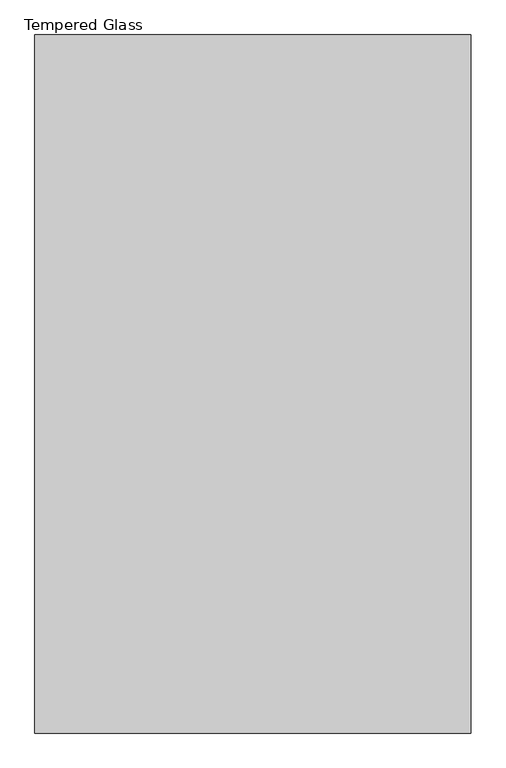
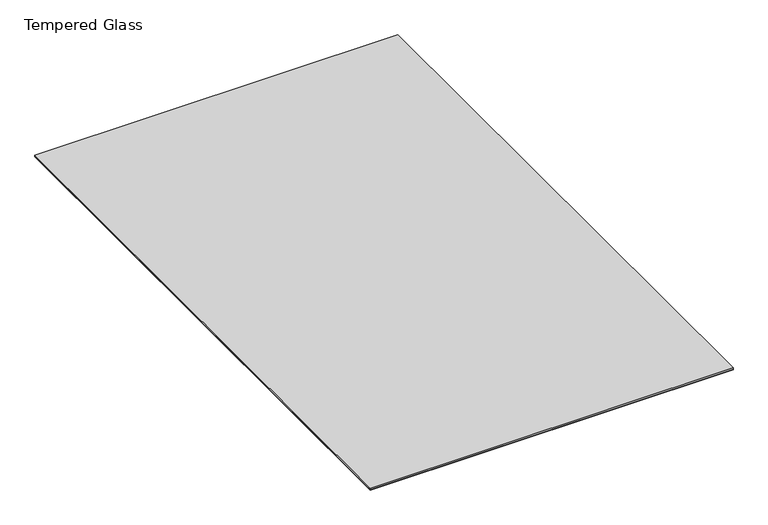
"""IFC4 building model written with IfcOpenShell, lengths in millimetres: proxy geometry, Tempered Glass."""

import ifcopenshell
import ifcopenshell.guid

model = None  # the IFC model being written
_history = None  # IfcOwnerHistory: only IFC2X3 demands one
_inside = {}  # id of a spatial element -> (the spatial element, [elements in it])
_under = {}  # id of a project, library or spatial element -> (it, [spatial elements below it])
_declared = {}  # id of a project -> (the project, [libraries it declares])
_typed = {}  # id of a type object -> (the type object, [elements of that type])
_made_of = {}  # id of a material, layer set ... -> (it, [elements and type objects made of it])


def new_model(schema):
    """Start an empty IFC model of exactly this schema.

    Asked for "IFC4X3", IfcOpenShell would pick the latest addendum, in which some entities
    have other attributes; the version numbers below select the first issue.
    IFC2X3 requires an IfcOwnerHistory on every rooted entity: one is made here for all.
    """
    global model, _history
    if schema == "IFC4X3":
        model = ifcopenshell.file(schema_version=(4, 3, 0, 0))
    else:
        model = ifcopenshell.file(schema=schema)
    _inside.clear()
    _under.clear()
    _declared.clear()
    _typed.clear()
    _made_of.clear()
    _history = None
    if model.schema == "IFC2X3":
        org = make("IfcOrganization", Name="unknown")
        user = make(
            "IfcPersonAndOrganization",
            ThePerson=make("IfcPerson", FamilyName="unknown"),
            TheOrganization=org,
        )
        app = make(
            "IfcApplication",
            ApplicationDeveloper=org,
            Version="unknown",
            ApplicationFullName="unknown",
            ApplicationIdentifier="unknown",
        )
        _history = make(
            "IfcOwnerHistory",
            OwningUser=user,
            OwningApplication=app,
            ChangeAction="ADDED",
            CreationDate=0,
        )
    return model


def make(cls, **values):
    """One entity of the class cls with the attributes given. An attribute that is None is left unset."""
    return model.create_entity(
        cls, **{name: value for name, value in values.items() if value is not None}
    )


def rooted(cls, **values):
    """An entity with a GlobalId (a new one), such as an element, a storey or a relation."""
    return make(cls, GlobalId=ifcopenshell.guid.new(), OwnerHistory=_history, **values)


def si_unit(unit_type, name, prefix=None):
    """IfcSIUnit, for example si_unit("LENGTHUNIT", "METRE", prefix="MILLI")."""
    return make("IfcSIUnit", UnitType=unit_type, Prefix=prefix, Name=name)


def assignment(units):
    """IfcUnitAssignment: the units of a project."""
    return None if units is None else make("IfcUnitAssignment", Units=units)


def point(xyz):
    """IfcCartesianPoint."""
    return None if xyz is None else make("IfcCartesianPoint", Coordinates=xyz)


def direction(xyz):
    """IfcDirection."""
    return None if xyz is None else make("IfcDirection", DirectionRatios=xyz)


def frame(location, z_axis=None, x_axis=None):
    """IfcAxis2Placement3D, a coordinate frame: its origin and axes. An axis left out is left unset."""
    return make(
        "IfcAxis2Placement3D",
        Location=point(location),
        Axis=direction(z_axis),
        RefDirection=direction(x_axis),
    )


def origin():
    """The frame at (0, 0, 0) with its axes left unset."""
    return frame((0.0, 0.0, 0.0))


def origin_with_axes():
    """The frame at (0, 0, 0) with the z axis (0, 0, 1) and the x axis (1, 0, 0) written out."""
    return frame((0.0, 0.0, 0.0), z_axis=(0.0, 0.0, 1.0), x_axis=(1.0, 0.0, 0.0))


def place(relative_to, where):
    """IfcLocalPlacement: puts the frame where relative to a parent placement (None: the world)."""
    return make(
        "IfcLocalPlacement", PlacementRelTo=relative_to, RelativePlacement=where
    )


def context(
    kind, dimensions, precision=None, world=None, true_north=None, identifier=None
):
    """IfcGeometricRepresentationContext, for example the 3D "Model" context."""
    return make(
        "IfcGeometricRepresentationContext",
        ContextIdentifier=identifier,
        ContextType=kind,
        CoordinateSpaceDimension=dimensions,
        Precision=precision,
        WorldCoordinateSystem=world,
        TrueNorth=true_north,
    )


def project(units=None, contexts=None):
    """IfcProject with its units and contexts."""
    return rooted(
        "IfcProject",
        Name="project",
        RepresentationContexts=contexts,
        UnitsInContext=assignment(units),
    )


def spatial(cls, under=None, at=None, **own):
    """A site, building, storey or space (cls), placed at a placement, below another one or the project."""
    s = rooted(cls, ObjectPlacement=at, **own)
    if under is not None:
        _under.setdefault(under.id(), (under, []))[1].append(s)
    return s


def polyline(points):
    """IfcPolyline through the points."""
    return make("IfcPolyline", Points=[point(p) for p in points])


def outline(outer, holes=None, kind="AREA"):
    """IfcArbitraryClosedProfileDef: a profile drawn as a closed curve; with holes, ...WithVoids."""
    if holes is None:
        return make("IfcArbitraryClosedProfileDef", ProfileType=kind, OuterCurve=outer)
    return make(
        "IfcArbitraryProfileDefWithVoids",
        ProfileType=kind,
        OuterCurve=outer,
        InnerCurves=holes,
    )


def extrude(swept, where, along, depth):
    """IfcExtrudedAreaSolid: the profile swept, set in the frame where, extruded along a direction by depth."""
    return make(
        "IfcExtrudedAreaSolid",
        SweptArea=swept,
        Position=where,
        ExtrudedDirection=direction(along),
        Depth=depth,
    )


def shape(context_of_items, identifier, shape_type, items):
    """IfcShapeRepresentation: the items that make up one representation, for example the "Body"."""
    return make(
        "IfcShapeRepresentation",
        ContextOfItems=context_of_items,
        RepresentationIdentifier=identifier,
        RepresentationType=shape_type,
        Items=items,
    )


def source(mapping_origin, context_of_items, identifier, shape_type, items):
    """IfcRepresentationMap: a shape defined once, which mapped items show again and again."""
    return make(
        "IfcRepresentationMap",
        MappingOrigin=mapping_origin,
        MappedRepresentation=shape(context_of_items, identifier, shape_type, items),
    )


def transform(
    local_origin,
    x_axis=None,
    y_axis=None,
    z_axis=None,
    scale=None,
    scale2=None,
    scale3=None,
    uniform=True,
):
    """IfcCartesianTransformationOperator3D, or its non-uniform kind. x_axis, y_axis, z_axis: its Axis1, 2, 3."""
    if uniform:
        return make(
            "IfcCartesianTransformationOperator3D",
            Axis1=direction(x_axis),
            Axis2=direction(y_axis),
            LocalOrigin=point(local_origin),
            Scale=scale,
            Axis3=direction(z_axis),
        )
    return make(
        "IfcCartesianTransformationOperator3DnonUniform",
        Axis1=direction(x_axis),
        Axis2=direction(y_axis),
        LocalOrigin=point(local_origin),
        Scale=scale,
        Axis3=direction(z_axis),
        Scale2=scale2,
        Scale3=scale3,
    )


def mapped(mapping_source, mapping_target):
    """IfcMappedItem: shows the shape of a source again, moved by a transform."""
    return make(
        "IfcMappedItem", MappingSource=mapping_source, MappingTarget=mapping_target
    )


def made_of(thing, what):
    """Note that an element or type object is made of a material, layer set ...; save() writes the relation."""
    if what is not None:
        _made_of.setdefault(what.id(), (what, []))[1].append(thing)
    return thing


def element(
    cls,
    number,
    at=None,
    inside=None,
    cuts=None,
    type_object=None,
    material=None,
    context=None,
    identifier="Body",
    shape_type=None,
    held_by="IfcProductDefinitionShape",
    body=None,
    shapes=None,
    **own,
):
    """One element of the class cls, such as IfcWall. Its Tag is "e" and its number.

    at: its placement. inside: the storey or other place that contains it. cuts: it is an
    opening in that element (IfcRelVoidsElement). A single representation is given by context,
    identifier, shape_type and body (its items); several are given by shapes. held_by: the class
    of the entity that holds the representations. save() writes the other relations.
    """
    e = rooted(cls, Tag="e%d" % number, ObjectPlacement=at, **own)
    if body is not None:
        shapes = [shape(context, identifier, shape_type, body)]
    if shapes is not None:
        e.Representation = make(held_by, Representations=shapes)
    if inside is not None:
        _inside.setdefault(inside.id(), (inside, []))[1].append(e)
    if cuts is not None:
        rooted(
            "IfcRelVoidsElement", RelatingBuildingElement=cuts, RelatedOpeningElement=e
        )
    if type_object is not None:
        _typed.setdefault(type_object.id(), (type_object, []))[1].append(e)
    return made_of(e, material)


def aggregate(whole, parts):
    """IfcRelAggregates: a whole, such as a stair, and the parts it consists of."""
    return rooted("IfcRelAggregates", RelatingObject=whole, RelatedObjects=parts)


def save(model, path):
    """Write the relations noted so far, then the file.

    IfcRelAggregates (storeys below a building ...), IfcRelContainedInSpatialStructure (elements
    in a storey), IfcRelDefinesByType, IfcRelAssociatesMaterial and IfcRelDeclares: one each for
    every whole, place, type object, material and project.
    """
    for whole, parts in _under.values():
        aggregate(whole, parts)
    for where, things in _inside.values():
        rooted(
            "IfcRelContainedInSpatialStructure",
            RelatedElements=things,
            RelatingStructure=where,
        )
    for kind, things in _typed.values():
        rooted("IfcRelDefinesByType", RelatedObjects=things, RelatingType=kind)
    for what, things in _made_of.values():
        rooted("IfcRelAssociatesMaterial", RelatedObjects=things, RelatingMaterial=what)
    for by, libraries in _declared.values():
        rooted("IfcRelDeclares", RelatingContext=by, RelatedDefinitions=libraries)
    model.write(path)


def tempered_glass_6297ecf2(model_context):
    return source(origin(), model_context, "Body", "SweptSolid", [
        extrude(outline(polyline([(762.0, -1219.2), (-762.0, -1219.2), (-762.0, 1219.2), (762.0, 1219.2), (762.0, -1219.2)])), frame((0.0, 0.0, 1.984375), z_axis=(0.0, 0.0, 1.0), x_axis=(1.0, 0.0, 0.0)), (0.0, 0.0, 1.0), 6.35),
        extrude(outline(polyline([(762.0, 1219.2), (762.0, -1219.2), (-762.0, -1219.2), (-762.0, 1219.2), (762.0, 1219.2)])), origin_with_axes(), (0.0, 0.0, 1.0), 1.984375),
    ])


if __name__ == "__main__":
    model = new_model("IFC4")
    model_context = context("Model", 3, world=origin())
    ifc_project = project(units=[si_unit("LENGTHUNIT", "METRE", prefix="MILLI")], contexts=[model_context])
    site = spatial("IfcSite", under=ifc_project)
    building = spatial("IfcBuilding", under=site)
    placement = place(None, origin())
    tempered_glass_shape = tempered_glass_6297ecf2(model_context)
    element("IfcBuildingElementProxy", 1, Name="Tempered Glass", ObjectType="Tempered Glass", at=placement, inside=building, context=model_context, shape_type="MappedRepresentation", body=[
        mapped(tempered_glass_shape, transform((0.0, 0.0, 0.0), x_axis=(1.0, 0.0, 0.0), y_axis=(0.0, 1.0, 0.0), z_axis=(0.0, 0.0, 1.0))),
    ])
    save(model, "model.ifc")
